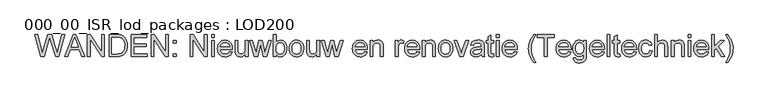
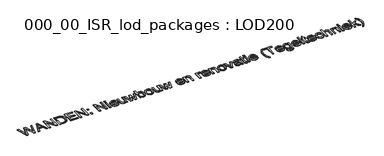
"""IFC4 building model written with IfcOpenShell, lengths in millimetres: proxy geometry, 000_00_ISR_lod_packages : LOD200."""

from ifc_helpers import new_model, si_unit, origin, origin_with_axes, place, context, project, spatial, polyline, outline, extrude, source, transform, mapped, element, save


def proxy_000_00_isr_lod_packages_lod200_e593f517(model_context):
    return source(origin(), model_context, "Body", "SweptSolid", [
        extrude(outline(polyline([(725.9109848, 500.0), (512.2424242, 1283.5151515), (613.2424242, 1283.5151515), (737.1969697, 768.5681818), (775.4545455, 609.6079545), (816.3901515, 750.2045455), (971.7159091, 1283.5151515), (1117.2859848, 1283.5151515), (1230.1458333, 896.9223485), (1278.4938447, 753.4564394), (1314.1212121, 609.6079545), (1351.2310606, 763.9772727), (1476.3333333, 1283.5151515), (1577.3333333, 1283.5151515), (1363.4734848, 500.0), (1258.8390152, 500.0), (1070.9943182, 1104.469697), (1044.7878788, 1188.8276515), (1015.3295455, 1087.2537879), (844.1268939, 500.0), (725.9109848, 500.0)])), origin_with_axes(), (0.0, 0.0, 1.0), 25.0),
        extrude(outline(polyline([(1584.0284091, 500.0), (1896.7840909, 1283.5151515), (1980.1856061, 1283.5151515), (2292.9412879, 500.0), (2189.4545455, 500.0), (2099.7405303, 744.8484848), (1777.0378788, 744.8484848), (1687.5151515, 500.0), (1584.0284091, 500.0)]), holes=[polyline([(1813.0, 842.7878788), (2063.969697, 842.7878788), (1993.3844697, 1035.4147727), (1938.4848485, 1185.5757576), (1889.7064394, 1052.2481061), (1813.0, 842.7878788)])]), origin_with_axes(), (0.0, 0.0, 1.0), 25.0),
        extrude(outline(polyline([(2397.5757576, 500.0), (2397.5757576, 1283.5151515), (2502.4015152, 1283.5151515), (2911.7575758, 662.7859848), (2911.7575758, 1283.5151515), (3009.6969697, 1283.5151515), (3009.6969697, 500.0), (2904.8712121, 500.0), (2495.5151515, 1120.9204545), (2495.5151515, 500.0), (2397.5757576, 500.0)])), origin_with_axes(), (0.0, 0.0, 1.0), 25.0),
        extrude(outline(polyline([(3181.0909091, 500.0), (3181.0909091, 1283.5151515), (3451.3806818, 1283.5151515), (3532.1519886, 1280.6936553), (3591.2121212, 1272.2291667), (3623.6593277, 1262.9158381), (3653.6676136, 1250.4701705), (3681.2369792, 1234.8921638), (3706.3674242, 1216.1818182), (3735.4073153, 1188.1581439), (3760.5497159, 1156.5), (3781.7946259, 1121.2073864), (3799.1420455, 1082.280303), (3812.6158854, 1040.0774148), (3822.2400568, 994.9573864), (3828.0145597, 946.9202178), (3829.9393939, 895.9659091), (3824.7267992, 811.8709754), (3809.0890152, 737.8664773), (3785.2736742, 674.8610322), (3755.5284091, 623.7632576), (3721.2878788, 583.4254261), (3683.9867424, 552.6998106), (3641.1621686, 529.912642), (3590.3513258, 513.3901515), (3531.4585701, 503.3475379), (3464.3882576, 500.0), (3181.0909091, 500.0)]), holes=[polyline([(3279.030303, 597.9393939), (3452.3371212, 597.9393939), (3524.0222538, 601.4782197), (3578.3958333, 612.094697), (3619.4270833, 629.1671402), (3651.0852273, 652.0738636), (3669.1559541, 671.7107599), (3685.1105587, 694.4680398), (3698.9490412, 720.3457031), (3710.6714015, 749.34375), (3720.0026634, 781.5219579), (3726.6678504, 816.9401042), (3732.0, 897.4962121), (3729.3877249, 954.3565341), (3721.5508996, 1004.2348485), (3708.4895241, 1047.1311553), (3690.2035985, 1083.0454545), (3668.1756037, 1112.7907197), (3643.8880208, 1137.1799242), (3617.3408499, 1156.2130682), (3588.5340909, 1169.8901515), (3563.6427557, 1176.7526042), (3532.1998106, 1181.6543561), (3449.6590909, 1185.5757576), (3279.030303, 1185.5757576), (3279.030303, 597.9393939)])]), origin_with_axes(), (0.0, 0.0, 1.0), 25.0),
        extrude(outline(polyline([(3964.6060606, 500.0), (3964.6060606, 1283.5151515), (4527.7575758, 1283.5151515), (4527.7575758, 1185.5757576), (4062.5454545, 1185.5757576), (4062.5454545, 952.969697), (4503.2727273, 952.969697), (4503.2727273, 855.030303), (4062.5454545, 855.030303), (4062.5454545, 597.9393939), (4540.0, 597.9393939), (4540.0, 500.0), (3964.6060606, 500.0)])), origin_with_axes(), (0.0, 0.0, 1.0), 25.0),
        extrude(outline(polyline([(4686.9090909, 500.0), (4686.9090909, 1283.5151515), (4791.7348485, 1283.5151515), (5201.0909091, 662.7859848), (5201.0909091, 1283.5151515), (5299.030303, 1283.5151515), (5299.030303, 500.0), (5194.2045455, 500.0), (4784.8484848, 1120.9204545), (4784.8484848, 500.0), (4686.9090909, 500.0)])), origin_with_axes(), (0.0, 0.0, 1.0), 25.0),
        extrude(outline(polyline([(5482.6666667, 500.0), (5482.6666667, 597.9393939), (5580.6060606, 597.9393939), (5580.6060606, 500.0), (5482.6666667, 500.0)])), origin_with_axes(), (0.0, 0.0, 1.0), 25.0),
        extrude(outline(polyline([(5482.6666667, 977.4545455), (5482.6666667, 1075.3939394), (5580.6060606, 1075.3939394), (5580.6060606, 977.4545455), (5482.6666667, 977.4545455)])), origin_with_axes(), (0.0, 0.0, 1.0), 25.0),
        extrude(outline(polyline([(6082.5454545, 500.0), (6082.5454545, 1283.5151515), (6187.3712121, 1283.5151515), (6596.7272727, 662.7859848), (6596.7272727, 1283.5151515), (6694.6666667, 1283.5151515), (6694.6666667, 500.0), (6589.8409091, 500.0), (6180.4848485, 1120.9204545), (6180.4848485, 500.0), (6082.5454545, 500.0)])), origin_with_axes(), (0.0, 0.0, 1.0), 25.0),
        extrude(outline(polyline([(6853.8181818, 500.0), (6853.8181818, 1075.3939394), (6951.7575758, 1075.3939394), (6951.7575758, 500.0), (6853.8181818, 500.0)])), origin_with_axes(), (0.0, 0.0, 1.0), 25.0),
        extrude(outline(polyline([(6853.8181818, 1185.5757576), (6853.8181818, 1283.5151515), (6951.7575758, 1283.5151515), (6951.7575758, 1185.5757576), (6853.8181818, 1185.5757576)])), origin_with_axes(), (0.0, 0.0, 1.0), 25.0),
        extrude(outline(polyline([(7501.5189394, 671.3939394), (7597.5454545, 659.1515152), (7582.8222656, 620.690696), (7562.9462595, 586.796875), (7537.9174361, 557.4700521), (7507.7357955, 532.7102273), (7472.7121804, 513.0434422), (7433.1574337, 498.9957386), (7389.0715554, 490.5671165), (7340.4545455, 487.7575758), (7279.6847775, 492.6055279), (7225.5383523, 507.1493845), (7178.0152699, 531.3891454), (7137.1155303, 565.3248106), (7104.2259706, 608.0118963), (7080.733428, 658.5059186), (7066.6379025, 716.8068774), (7061.9393939, 782.9147727), (7066.6857244, 851.2643229), (7080.9247159, 911.5080492), (7104.6563684, 963.6459517), (7137.8806818, 1007.6780303), (7178.672822, 1042.6598011), (7225.1079545, 1067.6467803), (7277.1860795, 1082.6389678), (7334.907197, 1087.6363636), (7390.7692353, 1082.6509233), (7441.2871686, 1067.6946023), (7486.4609967, 1042.7674006), (7526.2907197, 1007.8693182), (7558.8036813, 963.9328835), (7582.0272254, 911.890625), (7595.9613518, 851.7425426), (7600.6060606, 783.4886364), (7600.032197, 757.0909091), (7159.8787879, 757.0909091), (7165.551669, 718.0084044), (7176.8316761, 683.7798295), (7193.7188092, 654.4051847), (7216.2130682, 629.8844697), (7243.0710819, 610.5524384), (7273.0494792, 596.7438447), (7306.1482599, 588.4586884), (7342.3674242, 585.6969697), (7394.4933712, 590.8139205), (7438.3939394, 606.1647727), (7457.2597064, 617.9170218), (7474.0691288, 632.7059659), (7488.8222064, 650.5316051), (7501.5189394, 671.3939394)]), holes=[polyline([(7159.8787879, 855.030303), (7502.6666667, 855.030303), (7497.6334044, 882.7431345), (7489.4199811, 906.7736742), (7478.0263968, 927.1219223), (7463.4526515, 943.7878788), (7436.7440814, 963.8731061), (7406.3532197, 978.219697), (7372.2800663, 986.8276515), (7334.5246212, 989.6969697), (7300.0868253, 987.4074929), (7268.506392, 980.5390625), (7239.7833215, 969.0916785), (7213.9176136, 953.0653409), (7192.2124171, 933.2012902), (7175.9708807, 910.240767), (7165.1930043, 884.1837713), (7159.8787879, 855.030303)])]), origin_with_axes(), (0.0, 0.0, 1.0), 25.0),
        extrude(outline(polyline([(8065.8181818, 500.0), (8065.8181818, 598.8958333), (8048.8294271, 572.8478042), (8030.3821023, 550.2728456), (8010.4762074, 531.1709576), (7989.1117424, 515.5421402), (7966.2887074, 503.3863932), (7942.0071023, 494.7037169), (7916.2669271, 489.494111), (7889.0681818, 487.7575758), (7841.365767, 492.6354167), (7796.9630682, 507.2689394), (7759.7097538, 529.2670455), (7733.4554924, 556.2386364), (7715.7852746, 588.9966856), (7704.2840909, 628.3541667), (7699.9801136, 665.4640152), (7698.5454545, 719.407197), (7698.5454545, 1075.3939394), (7796.4848485, 1075.3939394), (7796.4848485, 765.5075758), (7797.9673295, 703.530303), (7802.4147727, 665.655303), (7816.6896307, 632.3473011), (7827.6468395, 618.688151), (7841.1505682, 607.0255682), (7874.1716383, 591.0291193), (7914.1268939, 585.6969697), (7956.3776042, 591.1486742), (7995.9024621, 607.5037879), (8013.5906132, 619.3935251), (8028.4931345, 633.2559186), (8040.610026, 649.0909683), (8049.9412879, 666.8986742), (8061.8489583, 712.975142), (8065.8181818, 776.0284091), (8065.8181818, 1075.3939394), (8163.7575758, 1075.3939394), (8163.7575758, 500.0), (8065.8181818, 500.0)])), origin_with_axes(), (0.0, 0.0, 1.0), 25.0),
        extrude(outline(polyline([(8393.8768939, 500.0), (8218.8484848, 1075.3939394), (8320.6136364, 1075.3939394), (8419.8920455, 739.6837121), (8449.5416667, 619.7462121), (8473.8352273, 735.2840909), (8552.8371212, 1075.3939394), (8669.5227273, 1075.3939394), (8748.1420455, 736.2405303), (8769.7575758, 631.6060606), (8800.7462121, 741.9791667), (8900.2159091, 1075.3939394), (9002.3636364, 1075.3939394), (8825.9962121, 500.0), (8707.5890152, 500.0), (8632.4128788, 837.4318182), (8610.6060606, 942.6401515), (8513.6231061, 500.0), (8393.8768939, 500.0)])), origin_with_axes(), (0.0, 0.0, 1.0), 25.0),
        extrude(outline(polyline([(9167.6363636, 500.0), (9069.6969697, 500.0), (9069.6969697, 1283.5151515), (9167.6363636, 1283.5151515), (9167.6363636, 992.9488636), (9199.8444602, 1034.3746449), (9236.2130682, 1063.9644886), (9276.7421875, 1081.7183949), (9321.4318182, 1087.6363636), (9371.8839962, 1082.304214), (9419.5625, 1066.3077652), (9461.7414773, 1040.6512784), (9495.6950758, 1006.3390152), (9522.3080019, 963.7057292), (9542.4649621, 913.0861742), (9555.1616951, 856.584517), (9559.3939394, 796.3049242), (9555.0122514, 726.7478693), (9541.8671875, 665.5596591), (9519.9587476, 612.7402936), (9489.2869318, 568.2897727), (9452.4699929, 533.0569366), (9412.1261837, 507.890625), (9368.2555043, 492.7908381), (9320.8579545, 487.7575758), (9297.1233132, 489.3805339), (9274.6977983, 494.2494081), (9253.5814098, 502.3641986), (9233.7741477, 513.7249053), (9215.2760121, 528.3315282), (9198.0870028, 546.1840672), (9167.6363636, 591.6268939), (9167.6363636, 500.0)]), holes=[polyline([(9167.6363636, 791.7140152), (9169.3101326, 747.5743371), (9174.3314394, 710.0340909), (9182.7002841, 679.0932765), (9194.4166667, 654.7518939), (9218.1483191, 624.5403646), (9245.7296402, 602.9607008), (9277.1606297, 590.0129025), (9312.4412879, 585.6969697), (9341.7322443, 588.8771307), (9368.9668561, 598.4176136), (9394.1451231, 614.3184186), (9417.2670455, 636.5795455), (9436.5990767, 665.1412169), (9450.4076705, 699.9436553), (9458.6928267, 740.9868608), (9461.4545455, 788.2708333), (9458.8064039, 836.4514678), (9450.8619792, 877.8892045), (9437.6212713, 912.5840436), (9419.0842803, 940.5359848), (9396.7932647, 962.0439157), (9372.290483, 977.4067235), (9345.5759351, 986.6244081), (9316.6496212, 989.6969697), (9287.3586648, 986.5168087), (9260.124053, 976.9763258), (9234.945786, 961.0755208), (9211.8238636, 938.8143939), (9192.4918324, 910.5396544), (9178.6832386, 876.5980114), (9170.3980824, 836.989465), (9167.6363636, 791.7140152)])]), origin_with_axes(), (0.0, 0.0, 1.0), 25.0),
        extrude(outline(polyline([(9645.0909091, 787.6969697), (9650.3871922, 862.215554), (9657.0075462, 895.6102332), (9666.2760417, 926.4285038), (9678.1926787, 954.6703658), (9692.7574574, 980.3358191), (9709.9703776, 1003.4248639), (9729.8314394, 1023.9375), (9767.1564867, 1051.8057528), (9808.3551136, 1071.7116477), (9853.4273201, 1083.6551847), (9902.3731061, 1087.6363636), (9956.4059541, 1082.7884115), (10005.2620739, 1068.2445549), (10048.9414654, 1044.004794), (10087.4441288, 1010.0691288), (10118.8691406, 967.5852865), (10141.3155777, 917.7009943), (10154.7834399, 860.4162524), (10159.2727273, 795.7310606), (10157.2881155, 743.3062263), (10151.3342803, 696.7874053), (10141.4112216, 656.1745975), (10127.5189394, 621.467803), (10109.8307884, 591.4894058), (10088.5201231, 565.0617898), (10063.5869437, 542.184955), (10035.03125, 522.8589015), (10003.9649029, 507.5020715), (9971.4997633, 496.5329072), (9937.635831, 489.9514086), (9902.3731061, 487.7575758), (9847.5511955, 492.5875947), (9798.240767, 507.0776515), (9754.4418205, 531.2277462), (9716.1543561, 565.0378788), (9685.064098, 607.9341856), (9662.8567708, 659.342803), (9649.5323745, 719.2637311), (9645.0909091, 787.6969697)]), holes=[polyline([(9743.030303, 787.8882576), (9745.8637547, 740.3831084), (9754.3641098, 699.2502367), (9768.5313684, 664.4896425), (9788.3655303, 636.1013258), (9812.491714, 614.04942), (9839.5350379, 598.2980587), (9869.4955019, 588.847242), (9902.3731061, 585.6969697), (9935.0833333, 588.8651752), (9964.9242424, 598.3697917), (9991.8958333, 614.2108191), (10015.9981061, 636.3882576), (10035.832268, 665.0575284), (10049.9995265, 700.374053), (10058.4998816, 742.3378314), (10061.3333333, 790.9488636), (10058.4819484, 836.9476207), (10049.9277936, 877.0044981), (10035.6708688, 911.1194957), (10015.7111742, 939.2926136), (9991.5192353, 961.3445194), (9964.5655777, 977.0958807), (9934.8502012, 986.5466974), (9902.3731061, 989.6969697), (9869.4955019, 986.5586529), (9839.5350379, 977.1437027), (9812.491714, 961.4521188), (9788.3655303, 939.4839015), (9768.5313684, 911.1792732), (9754.3641098, 876.4784564), (9745.8637547, 835.3814512), (9743.030303, 787.8882576)])]), origin_with_axes(), (0.0, 0.0, 1.0), 25.0),
        extrude(outline(polyline([(10636.7272727, 500.0), (10636.7272727, 598.8958333), (10619.738518, 572.8478042), (10601.2911932, 550.2728456), (10581.3852983, 531.1709576), (10560.0208333, 515.5421402), (10537.1977983, 503.3863932), (10512.9161932, 494.7037169), (10487.176018, 489.494111), (10459.9772727, 487.7575758), (10412.274858, 492.6354167), (10367.8721591, 507.2689394), (10330.6188447, 529.2670455), (10304.3645833, 556.2386364), (10286.6943655, 588.9966856), (10275.1931818, 628.3541667), (10270.8892045, 665.4640152), (10269.4545455, 719.407197), (10269.4545455, 1075.3939394), (10367.3939394, 1075.3939394), (10367.3939394, 765.5075758), (10368.8764205, 703.530303), (10373.3238636, 665.655303), (10387.5987216, 632.3473011), (10398.5559304, 618.688151), (10412.0596591, 607.0255682), (10445.0807292, 591.0291193), (10485.0359848, 585.6969697), (10527.2866951, 591.1486742), (10566.811553, 607.5037879), (10584.4997041, 619.3935251), (10599.4022254, 633.2559186), (10611.519117, 649.0909683), (10620.8503788, 666.8986742), (10632.7580492, 712.975142), (10636.7272727, 776.0284091), (10636.7272727, 1075.3939394), (10734.6666667, 1075.3939394), (10734.6666667, 500.0), (10636.7272727, 500.0)])), origin_with_axes(), (0.0, 0.0, 1.0), 25.0),
        extrude(outline(polyline([(10964.7859848, 500.0), (10789.7575758, 1075.3939394), (10891.5227273, 1075.3939394), (10990.8011364, 739.6837121), (11020.4507576, 619.7462121), (11044.7443182, 735.2840909), (11123.7462121, 1075.3939394), (11240.4318182, 1075.3939394), (11319.0511364, 736.2405303), (11340.6666667, 631.6060606), (11371.655303, 741.9791667), (11471.125, 1075.3939394), (11573.2727273, 1075.3939394), (11396.905303, 500.0), (11278.4981061, 500.0), (11203.3219697, 837.4318182), (11181.5151515, 942.6401515), (11084.532197, 500.0), (10964.7859848, 500.0)])), origin_with_axes(), (0.0, 0.0, 1.0), 25.0),
        extrude(outline(polyline([(12349.5189394, 671.3939394), (12445.5454545, 659.1515152), (12430.8222656, 620.690696), (12410.9462595, 586.796875), (12385.9174361, 557.4700521), (12355.7357955, 532.7102273), (12320.7121804, 513.0434422), (12281.1574337, 498.9957386), (12237.0715554, 490.5671165), (12188.4545455, 487.7575758), (12127.6847775, 492.6055279), (12073.5383523, 507.1493845), (12026.0152699, 531.3891454), (11985.1155303, 565.3248106), (11952.2259706, 608.0118963), (11928.733428, 658.5059186), (11914.6379025, 716.8068774), (11909.9393939, 782.9147727), (11914.6857244, 851.2643229), (11928.9247159, 911.5080492), (11952.6563684, 963.6459517), (11985.8806818, 1007.6780303), (12026.672822, 1042.6598011), (12073.1079545, 1067.6467803), (12125.1860795, 1082.6389678), (12182.907197, 1087.6363636), (12238.7692353, 1082.6509233), (12289.2871686, 1067.6946023), (12334.4609967, 1042.7674006), (12374.2907197, 1007.8693182), (12406.8036813, 963.9328835), (12430.0272254, 911.890625), (12443.9613518, 851.7425426), (12448.6060606, 783.4886364), (12448.032197, 757.0909091), (12007.8787879, 757.0909091), (12013.551669, 718.0084044), (12024.8316761, 683.7798295), (12041.7188092, 654.4051847), (12064.2130682, 629.8844697), (12091.0710819, 610.5524384), (12121.0494792, 596.7438447), (12154.1482599, 588.4586884), (12190.3674242, 585.6969697), (12242.4933712, 590.8139205), (12286.3939394, 606.1647727), (12305.2597064, 617.9170218), (12322.0691288, 632.7059659), (12336.8222064, 650.5316051), (12349.5189394, 671.3939394)]), holes=[polyline([(12007.8787879, 855.030303), (12350.6666667, 855.030303), (12345.6334044, 882.7431345), (12337.4199811, 906.7736742), (12326.0263968, 927.1219223), (12311.4526515, 943.7878788), (12284.7440814, 963.8731061), (12254.3532197, 978.219697), (12220.2800663, 986.8276515), (12182.5246212, 989.6969697), (12148.0868253, 987.4074929), (12116.506392, 980.5390625), (12087.7833215, 969.0916785), (12061.9176136, 953.0653409), (12040.2124171, 933.2012902), (12023.9708807, 910.240767), (12013.1930043, 884.1837713), (12007.8787879, 855.030303)])]), origin_with_axes(), (0.0, 0.0, 1.0), 25.0),
        extrude(outline(polyline([(12546.5454545, 500.0), (12546.5454545, 1075.3939394), (12644.4848485, 1075.3939394), (12644.4848485, 995.0530303), (12678.5101799, 1035.5582386), (12698.0872988, 1051.4709991), (12719.374053, 1064.4905303), (12742.3704427, 1074.6168324), (12767.0764678, 1081.8499053), (12821.6174242, 1087.6363636), (12869.8937027, 1082.9737216), (12914.1051136, 1068.9857955), (12950.9758523, 1047.4180871), (12977.2301136, 1020.0160985), (12995.0437973, 986.8515625), (13006.592803, 947.9962121), (13010.4663826, 910.8385417), (13011.7575758, 853.3087121), (13011.7575758, 500.0), (12913.8181818, 500.0), (12913.8181818, 840.1098485), (12910.9966856, 890.7533144), (12902.532197, 926.7632576), (12886.9183239, 952.5632102), (12862.6486742, 972.5767045), (12831.540483, 985.4169034), (12795.4109848, 989.6969697), (12765.6716974, 987.2939157), (12738.0485322, 980.0847538), (12712.5414891, 968.0694839), (12689.1505682, 951.2481061), (12669.6093158, 927.7077415), (12655.6512784, 895.5355114), (12647.276456, 854.7314157), (12644.4848485, 805.2954545), (12644.4848485, 500.0), (12546.5454545, 500.0)])), origin_with_axes(), (0.0, 0.0, 1.0), 25.0),
        extrude(outline(polyline([(13452.4848485, 500.0), (13452.4848485, 1075.3939394), (13538.1818182, 1075.3939394), (13538.1818182, 990.2708333), (13569.8399621, 1039.6231061), (13599.0113636, 1068.6988636), (13628.2784091, 1082.9019886), (13660.2234848, 1087.6363636), (13684.5170455, 1085.7473958), (13709.0018939, 1080.0804924), (13733.6780303, 1070.6356534), (13758.5454545, 1057.4128788), (13725.8352273, 969.6117424), (13691.4034091, 984.6756629), (13656.9715909, 989.6969697), (13627.7284564, 984.8669508), (13601.59375, 970.3768939), (13580.4803504, 947.3267045), (13566.3011364, 916.8162879), (13554.3934659, 862.1079545), (13550.4242424, 802.4261364), (13550.4242424, 500.0), (13452.4848485, 500.0)])), origin_with_axes(), (0.0, 0.0, 1.0), 25.0),
        extrude(outline(polyline([(14222.6098485, 671.3939394), (14318.6363636, 659.1515152), (14303.9131747, 620.690696), (14284.0371686, 586.796875), (14259.0083452, 557.4700521), (14228.8267045, 532.7102273), (14193.8030895, 513.0434422), (14154.2483428, 498.9957386), (14110.1624645, 490.5671165), (14061.5454545, 487.7575758), (14000.7756866, 492.6055279), (13946.6292614, 507.1493845), (13899.106179, 531.3891454), (13858.2064394, 565.3248106), (13825.3168797, 608.0118963), (13801.8243371, 658.5059186), (13787.7288116, 716.8068774), (13783.030303, 782.9147727), (13787.7766335, 851.2643229), (13802.015625, 911.5080492), (13825.7472775, 963.6459517), (13858.9715909, 1007.6780303), (13899.7637311, 1042.6598011), (13946.1988636, 1067.6467803), (13998.2769886, 1082.6389678), (14055.9981061, 1087.6363636), (14111.8601444, 1082.6509233), (14162.3780777, 1067.6946023), (14207.5519058, 1042.7674006), (14247.3816288, 1007.8693182), (14279.8945904, 963.9328835), (14303.1181345, 911.890625), (14317.0522609, 851.7425426), (14321.6969697, 783.4886364), (14321.1231061, 757.0909091), (13880.969697, 757.0909091), (13886.6425781, 718.0084044), (13897.9225852, 683.7798295), (13914.8097183, 654.4051847), (13937.3039773, 629.8844697), (13964.161991, 610.5524384), (13994.1403883, 596.7438447), (14027.239169, 588.4586884), (14063.4583333, 585.6969697), (14115.5842803, 590.8139205), (14159.4848485, 606.1647727), (14178.3506155, 617.9170218), (14195.1600379, 632.7059659), (14209.9131155, 650.5316051), (14222.6098485, 671.3939394)]), holes=[polyline([(13880.969697, 855.030303), (14223.7575758, 855.030303), (14218.7243134, 882.7431345), (14210.5108902, 906.7736742), (14199.1173059, 927.1219223), (14184.5435606, 943.7878788), (14157.8349905, 963.8731061), (14127.4441288, 978.219697), (14093.3709754, 986.8276515), (14055.6155303, 989.6969697), (14021.1777344, 987.4074929), (13989.5973011, 980.5390625), (13960.8742306, 969.0916785), (13935.0085227, 953.0653409), (13913.3033262, 933.2012902), (13897.0617898, 910.240767), (13886.2839134, 884.1837713), (13880.969697, 855.030303)])]), origin_with_axes(), (0.0, 0.0, 1.0), 25.0),
        extrude(outline(polyline([(14419.6363636, 500.0), (14419.6363636, 1075.3939394), (14517.5757576, 1075.3939394), (14517.5757576, 995.0530303), (14551.601089, 1035.5582386), (14571.1782079, 1051.4709991), (14592.4649621, 1064.4905303), (14615.4613518, 1074.6168324), (14640.1673769, 1081.8499053), (14694.7083333, 1087.6363636), (14742.9846117, 1082.9737216), (14787.1960227, 1068.9857955), (14824.0667614, 1047.4180871), (14850.3210227, 1020.0160985), (14868.1347064, 986.8515625), (14879.6837121, 947.9962121), (14883.5572917, 910.8385417), (14884.8484848, 853.3087121), (14884.8484848, 500.0), (14786.9090909, 500.0), (14786.9090909, 840.1098485), (14784.0875947, 890.7533144), (14775.6231061, 926.7632576), (14760.009233, 952.5632102), (14735.7395833, 972.5767045), (14704.631392, 985.4169034), (14668.5018939, 989.6969697), (14638.7626065, 987.2939157), (14611.1394413, 980.0847538), (14585.6323982, 968.0694839), (14562.2414773, 951.2481061), (14542.7002249, 927.7077415), (14528.7421875, 895.5355114), (14520.3673651, 854.7314157), (14517.5757576, 805.2954545), (14517.5757576, 500.0), (14419.6363636, 500.0)])), origin_with_axes(), (0.0, 0.0, 1.0), 25.0),
        extrude(outline(polyline([(14995.030303, 787.6969697), (15000.3265862, 862.215554), (15006.9469401, 895.6102332), (15016.2154356, 926.4285038), (15028.1320727, 954.6703658), (15042.6968513, 980.3358191), (15059.9097715, 1003.4248639), (15079.7708333, 1023.9375), (15117.0958807, 1051.8057528), (15158.2945076, 1071.7116477), (15203.366714, 1083.6551847), (15252.3125, 1087.6363636), (15306.345348, 1082.7884115), (15355.2014678, 1068.2445549), (15398.8808594, 1044.004794), (15437.3835227, 1010.0691288), (15468.8085346, 967.5852865), (15491.2549716, 917.7009943), (15504.7228338, 860.4162524), (15509.2121212, 795.7310606), (15507.2275095, 743.3062263), (15501.2736742, 696.7874053), (15491.3506155, 656.1745975), (15477.4583333, 621.467803), (15459.7701823, 591.4894058), (15438.459517, 565.0617898), (15413.5263376, 542.184955), (15384.9706439, 522.8589015), (15353.9042969, 507.5020715), (15321.4391572, 496.5329072), (15287.5752249, 489.9514086), (15252.3125, 487.7575758), (15197.4905895, 492.5875947), (15148.180161, 507.0776515), (15104.3812145, 531.2277462), (15066.09375, 565.0378788), (15035.003492, 607.9341856), (15012.7961648, 659.342803), (14999.4717685, 719.2637311), (14995.030303, 787.6969697)]), holes=[polyline([(15092.969697, 787.8882576), (15095.8031487, 740.3831084), (15104.3035038, 699.2502367), (15118.4707623, 664.4896425), (15138.3049242, 636.1013258), (15162.431108, 614.04942), (15189.4744318, 598.2980587), (15219.4348958, 588.847242), (15252.3125, 585.6969697), (15285.0227273, 588.8651752), (15314.8636364, 598.3697917), (15341.8352273, 614.2108191), (15365.9375, 636.3882576), (15385.7716619, 665.0575284), (15399.9389205, 700.374053), (15408.4392756, 742.3378314), (15411.2727273, 790.9488636), (15408.4213423, 836.9476207), (15399.8671875, 877.0044981), (15385.6102628, 911.1194957), (15365.6505682, 939.2926136), (15341.4586293, 961.3445194), (15314.5049716, 977.0958807), (15284.7895952, 986.5466974), (15252.3125, 989.6969697), (15219.4348958, 986.5586529), (15189.4744318, 977.1437027), (15162.431108, 961.4521188), (15138.3049242, 939.4839015), (15118.4707623, 911.1792732), (15104.3035038, 876.4784564), (15095.8031487, 835.3814512), (15092.969697, 787.8882576)])]), origin_with_axes(), (0.0, 0.0, 1.0), 25.0),
        extrude(outline(polyline([(15760.5643939, 500.0), (15558.1818182, 1075.3939394), (15661.8598485, 1075.3939394), (15784.4753788, 730.6931818), (15821.3939394, 614.7727273), (15857.5473485, 724.1893939), (15980.9280303, 1075.3939394), (16084.6060606, 1075.3939394), (15884.7102273, 500.0), (15760.5643939, 500.0)])), origin_with_axes(), (0.0, 0.0, 1.0), 25.0),
        extrude(outline(polyline([(16537.5757576, 573.4545455), (16490.7819602, 533.3319129), (16466.8649976, 518.4712358), (16442.6013258, 507.0776515), (16391.9339489, 492.5875947), (16337.6799242, 487.7575758), (16294.0722656, 490.6627604), (16255.8326231, 499.3783144), (16222.9609967, 513.9042377), (16195.4573864, 534.2405303), (16173.7402344, 559.0959991), (16158.227983, 587.1794508), (16148.9206321, 618.4908854), (16145.8181818, 653.030303), (16150.5047348, 693.6311553), (16164.5643939, 730.5018939), (16186.2516572, 762.0643939), (16213.8210227, 786.7405303), (16246.2204072, 805.3910985), (16282.3977273, 818.8768939), (16367.1382576, 833.6060606), (16467.2774621, 849.1003788), (16537.0018939, 867.2727273), (16537.5757576, 889.0795455), (16535.8900331, 912.8231534), (16530.8328598, 932.7888258), (16522.4042377, 948.9765625), (16510.6041667, 961.3863636), (16490.2080966, 973.7722538), (16465.3645833, 982.6193182), (16436.0736269, 987.9275568), (16402.3352273, 989.6969697), (16343.9924242, 984.9865057), (16321.4204545, 979.0984257), (16303.2481061, 970.8551136), (16288.315696, 959.610973), (16275.4635417, 944.7204072), (16264.691643, 926.1834162), (16256.0, 904.0), (16158.0606061, 916.2424242), (16175.0613163, 969.8030303), (16186.6999882, 992.2793561), (16200.4308712, 1011.8863636), (16216.8457623, 1029.0185843), (16236.5364583, 1044.0705492), (16259.5029593, 1057.0422585), (16285.7452652, 1067.9337121), (16345.929214, 1082.7107008), (16414.9602273, 1087.6363636), (16481.1697443, 1083.2845644), (16533.6543561, 1070.2291667), (16573.227036, 1050.5982481), (16600.7007576, 1026.5198864), (16618.920928, 996.7507102), (16630.7329545, 960.0473485), (16634.3196023, 926.1893939), (16635.5151515, 874.3503788), (16635.5151515, 752.5), (16636.7585227, 646.3591383), (16640.4886364, 582.3494318), (16647.8532197, 540.2900095), (16660.0, 500.0), (16562.0606061, 500.0), (16546.375, 534.0492424), (16537.5757576, 573.4545455)]), holes=[polyline([(16537.5757576, 769.3333333), (16471.7727273, 753.0260417), (16379.5719697, 739.3011364), (16328.7611269, 731.7930871), (16295.3096591, 723.4242424), (16273.383286, 712.5686553), (16257.1477273, 697.6003788), (16247.1051136, 679.6671402), (16243.7575758, 659.9166667), (16245.5807884, 644.6973248), (16251.0504261, 630.7930871), (16260.1664891, 618.2039536), (16272.9289773, 606.9299242), (16289.2183357, 597.6405066), (16308.9150095, 591.0052083), (16358.530303, 585.6969697), (16411.1344697, 591.555161), (16435.1410985, 598.8779001), (16457.6174242, 609.1297348), (16495.3011364, 635.0253314), (16521.5075758, 665.8465909), (16533.1283144, 697.6003788), (16537.0018939, 741.5965909), (16537.5757576, 769.3333333)])]), origin_with_axes(), (0.0, 0.0, 1.0), 25.0),
        extrude(outline(polyline([(16978.3030303, 581.6799242), (16990.5454545, 497.1306818), (16951.7618371, 490.1008523), (16917.282197, 487.7575758), (16870.2732008, 491.8224432), (16835.219697, 504.0170455), (16810.4479167, 522.8110795), (16794.2840909, 546.6742424), (16785.3892045, 587.6576705), (16782.4242424, 657.8125), (16782.4242424, 977.4545455), (16708.969697, 977.4545455), (16708.969697, 1075.3939394), (16782.4242424, 1075.3939394), (16782.4242424, 1215.2253788), (16880.3636364, 1272.8030303), (16880.3636364, 1075.3939394), (16978.3030303, 1075.3939394), (16978.3030303, 977.4545455), (16880.3636364, 977.4545455), (16880.3636364, 660.6818182), (16881.6548295, 628.4498106), (16885.5284091, 610.1818182), (16892.2952178, 600.0674716), (16902.2660985, 592.2964015), (16916.3974905, 587.3468277), (16935.6458333, 585.6969697), (16978.3030303, 581.6799242)])), origin_with_axes(), (0.0, 0.0, 1.0), 25.0),
        extrude(outline(polyline([(17076.2424242, 500.0), (17076.2424242, 1075.3939394), (17174.1818182, 1075.3939394), (17174.1818182, 500.0), (17076.2424242, 500.0)])), origin_with_axes(), (0.0, 0.0, 1.0), 25.0),
        extrude(outline(polyline([(17076.2424242, 1185.5757576), (17076.2424242, 1283.5151515), (17174.1818182, 1283.5151515), (17174.1818182, 1185.5757576), (17076.2424242, 1185.5757576)])), origin_with_axes(), (0.0, 0.0, 1.0), 25.0),
        extrude(outline(polyline([(17723.9431818, 671.3939394), (17819.969697, 659.1515152), (17805.246508, 620.690696), (17785.3705019, 586.796875), (17760.3416785, 557.4700521), (17730.1600379, 532.7102273), (17695.1364228, 513.0434422), (17655.5816761, 498.9957386), (17611.4957978, 490.5671165), (17562.8787879, 487.7575758), (17502.1090199, 492.6055279), (17447.9625947, 507.1493845), (17400.4395123, 531.3891454), (17359.5397727, 565.3248106), (17326.6502131, 608.0118963), (17303.1576705, 658.5059186), (17289.0621449, 716.8068774), (17284.3636364, 782.9147727), (17289.1099669, 851.2643229), (17303.3489583, 911.5080492), (17327.0806108, 963.6459517), (17360.3049242, 1007.6780303), (17401.0970644, 1042.6598011), (17447.532197, 1067.6467803), (17499.610322, 1082.6389678), (17557.3314394, 1087.6363636), (17613.1934777, 1082.6509233), (17663.711411, 1067.6946023), (17708.8852391, 1042.7674006), (17748.7149621, 1007.8693182), (17781.2279238, 963.9328835), (17804.4514678, 911.890625), (17818.3855942, 851.7425426), (17823.030303, 783.4886364), (17822.4564394, 757.0909091), (17382.3030303, 757.0909091), (17387.9759115, 718.0084044), (17399.2559186, 683.7798295), (17416.1430516, 654.4051847), (17438.6373106, 629.8844697), (17465.4953243, 610.5524384), (17495.4737216, 596.7438447), (17528.5725024, 588.4586884), (17564.7916667, 585.6969697), (17616.9176136, 590.8139205), (17660.8181818, 606.1647727), (17679.6839489, 617.9170218), (17696.4933712, 632.7059659), (17711.2464489, 650.5316051), (17723.9431818, 671.3939394)]), holes=[polyline([(17382.3030303, 855.030303), (17725.0909091, 855.030303), (17720.0576468, 882.7431345), (17711.8442235, 906.7736742), (17700.4506392, 927.1219223), (17685.8768939, 943.7878788), (17659.1683239, 963.8731061), (17628.7774621, 978.219697), (17594.7043087, 986.8276515), (17556.9488636, 989.6969697), (17522.5110677, 987.4074929), (17490.9306345, 980.5390625), (17462.2075639, 969.0916785), (17436.3418561, 953.0653409), (17414.6366596, 933.2012902), (17398.3951231, 910.240767), (17387.6172467, 884.1837713), (17382.3030303, 855.030303)])]), origin_with_axes(), (0.0, 0.0, 1.0), 25.0),
        extrude(outline(polyline([(18422.9090909, 279.6363636), (18383.3722775, 330.7939157), (18347.015625, 386.1358902), (18313.8391335, 445.6622869), (18283.842803, 509.3731061), (18258.9873343, 575.773911), (18241.233428, 643.3702652), (18230.5810843, 712.1621686), (18227.030303, 782.1496212), (18229.6844223, 843.6606297), (18237.6467803, 903.8565341), (18250.9173769, 962.7373343), (18269.4962121, 1020.3030303), (18297.7350852, 1086.3212595), (18332.7168561, 1152.1960227), (18374.4415246, 1217.9273201), (18422.9090909, 1283.5151515), (18496.3636364, 1283.5151515), (18438.7381629, 1190.4057765), (18404.7367424, 1128.3806818), (18373.4611742, 1054.7348485), (18349.6458333, 978.0284091), (18331.1387311, 880.0411932), (18324.969697, 781.5757576), (18327.6477273, 718.7914891), (18335.6818182, 656.0191761), (18349.0719697, 593.2588187), (18367.8181818, 530.5104167), (18391.9204545, 467.7739702), (18421.3787879, 405.0494792), (18456.1931818, 342.3369437), (18496.3636364, 279.6363636), (18422.9090909, 279.6363636)])), origin_with_axes(), (0.0, 0.0, 1.0), 25.0),
        extrude(outline(polyline([(18802.4242424, 500.0), (18802.4242424, 1185.5757576), (18545.3333333, 1185.5757576), (18545.3333333, 1283.5151515), (19157.4545455, 1283.5151515), (19157.4545455, 1185.5757576), (18900.3636364, 1185.5757576), (18900.3636364, 500.0), (18802.4242424, 500.0)])), origin_with_axes(), (0.0, 0.0, 1.0), 25.0),
        extrude(outline(polyline([(19658.2462121, 671.3939394), (19754.2727273, 659.1515152), (19739.5495384, 620.690696), (19719.6735322, 586.796875), (19694.6447088, 557.4700521), (19664.4630682, 532.7102273), (19629.4394531, 513.0434422), (19589.8847064, 498.9957386), (19545.7988281, 490.5671165), (19497.1818182, 487.7575758), (19436.4120502, 492.6055279), (19382.265625, 507.1493845), (19334.7425426, 531.3891454), (19293.842803, 565.3248106), (19260.9532434, 608.0118963), (19237.4607008, 658.5059186), (19223.3651752, 716.8068774), (19218.6666667, 782.9147727), (19223.4129972, 851.2643229), (19237.6519886, 911.5080492), (19261.3836411, 963.6459517), (19294.6079545, 1007.6780303), (19335.4000947, 1042.6598011), (19381.8352273, 1067.6467803), (19433.9133523, 1082.6389678), (19491.6344697, 1087.6363636), (19547.496508, 1082.6509233), (19598.0144413, 1067.6946023), (19643.1882694, 1042.7674006), (19683.0179924, 1007.8693182), (19715.5309541, 963.9328835), (19738.7544981, 911.890625), (19752.6886245, 851.7425426), (19757.3333333, 783.4886364), (19756.7594697, 757.0909091), (19316.6060606, 757.0909091), (19322.2789418, 718.0084044), (19333.5589489, 683.7798295), (19350.4460819, 654.4051847), (19372.9403409, 629.8844697), (19399.7983546, 610.5524384), (19429.7767519, 596.7438447), (19462.8755327, 588.4586884), (19499.094697, 585.6969697), (19551.2206439, 590.8139205), (19595.1212121, 606.1647727), (19613.9869792, 617.9170218), (19630.7964015, 632.7059659), (19645.5494792, 650.5316051), (19658.2462121, 671.3939394)]), holes=[polyline([(19316.6060606, 855.030303), (19659.3939394, 855.030303), (19654.3606771, 882.7431345), (19646.1472538, 906.7736742), (19634.7536695, 927.1219223), (19620.1799242, 943.7878788), (19593.4713542, 963.8731061), (19563.0804924, 978.219697), (19529.007339, 986.8276515), (19491.2518939, 989.6969697), (19456.814098, 987.4074929), (19425.2336648, 980.5390625), (19396.5105942, 969.0916785), (19370.6448864, 953.0653409), (19348.9396899, 933.2012902), (19332.6981534, 910.240767), (19321.920277, 884.1837713), (19316.6060606, 855.030303)])]), origin_with_axes(), (0.0, 0.0, 1.0), 25.0),
        extrude(outline(polyline([(19830.7878788, 451.030303), (19928.7272727, 438.7878788), (19932.8638731, 422.2892992), (19939.5350379, 408.1818182), (19948.740767, 396.4654356), (19960.4810606, 387.1401515), (19979.4783381, 377.5996686), (20001.6557765, 370.7850379), (20055.5511364, 365.3333333), (20086.133286, 366.8755919), (20113.0331439, 371.5023674), (20136.2507102, 379.21366), (20155.7859848, 390.0094697), (20172.0454545, 403.5909091), (20185.4356061, 419.6590909), (20195.9564394, 438.2140152), (20203.6079545, 459.2556818), (20208.9161932, 501.3868371), (20210.3030303, 573.4545455), (20177.712358, 541.3181818), (20141.34375, 518.3636364), (20101.1972064, 504.5909091), (20057.2727273, 500.0), (20003.574633, 505.3441051), (19956.2966383, 521.3764205), (19915.4387429, 548.096946), (19881.000947, 585.5056818), (19853.676669, 630.3866004), (19834.1593277, 679.5236742), (19822.4489228, 732.9169034), (19818.5454545, 790.5662879), (19820.2969342, 830.8981416), (19825.5513731, 869.6399148), (19834.3087713, 906.7916075), (19846.5691288, 942.3532197), (19862.1471354, 975.1411577), (19880.8574811, 1003.9718277), (19902.7001657, 1028.8452296), (19927.6751894, 1049.7613636), (19955.3820431, 1066.3316761), (19985.4202178, 1078.1676136), (20017.7897135, 1085.2691761), (20052.4905303, 1087.6363636), (20098.2920218, 1082.280303), (20139.8612689, 1066.2121212), (20177.1982718, 1039.4318182), (20210.3030303, 1001.9393939), (20210.3030303, 1075.3939394), (20308.2424242, 1075.3939394), (20308.2424242, 578.6193182), (20306.5686553, 516.3730469), (20301.5473485, 463.9183239), (20293.1785038, 421.2551491), (20281.4621212, 388.3835227), (20266.1172467, 361.8722183), (20246.8629261, 338.2900095), (20223.6991596, 317.6368963), (20196.625947, 299.9128788), (20165.9182647, 285.6858428), (20131.851089, 275.5236742), (20094.42442, 269.4263731), (20053.6382576, 267.3939394), (20005.6548887, 270.2572798), (19962.5134943, 278.8473011), (19924.2140743, 293.1640033), (19890.7566288, 313.2073864), (19863.7312382, 339.0013613), (19844.727983, 370.569839), (19833.7468632, 407.9128196), (19830.7878788, 451.030303)]), holes=[polyline([(19916.4848485, 797.2613636), (19919.0971236, 748.8356416), (19926.9339489, 707.4277936), (19939.9953243, 673.0378196), (19958.28125, 645.6657197), (19980.5124882, 624.7854522), (20005.4098011, 609.8709754), (20032.9731889, 600.9222893), (20063.2026515, 597.9393939), (20093.1332268, 600.9043561), (20120.5651042, 609.7992424), (20145.4982836, 624.624053), (20167.9327652, 645.3787879), (20186.4697562, 672.4818892), (20199.710464, 706.3517992), (20207.6548887, 746.988518), (20210.3030303, 794.3920455), (20207.577178, 839.8169389), (20199.3996212, 879.2999527), (20185.7703598, 912.8410866), (20166.6893939, 940.4403409), (20143.770715, 961.990116), (20118.6283144, 977.3828125), (20091.2621922, 986.6184304), (20061.6723485, 989.6969697), (20032.5786577, 986.6662524), (20005.7445549, 977.5741004), (19981.1700402, 962.4205137), (19958.8551136, 941.2054924), (19940.3181226, 914.0246804), (19927.0774148, 880.9737216), (19919.1329901, 842.052616), (19916.4848485, 797.2613636)])]), origin_with_axes(), (0.0, 0.0, 1.0), 25.0),
        extrude(outline(polyline([(20858.0037879, 671.3939394), (20954.030303, 659.1515152), (20939.3071141, 620.690696), (20919.431108, 586.796875), (20894.4022846, 557.4700521), (20864.2206439, 532.7102273), (20829.1970289, 513.0434422), (20789.6422822, 498.9957386), (20745.5564039, 490.5671165), (20696.9393939, 487.7575758), (20636.1696259, 492.6055279), (20582.0232008, 507.1493845), (20534.5001184, 531.3891454), (20493.6003788, 565.3248106), (20460.7108191, 608.0118963), (20437.2182765, 658.5059186), (20423.1227509, 716.8068774), (20418.4242424, 782.9147727), (20423.1705729, 851.2643229), (20437.4095644, 911.5080492), (20461.1412169, 963.6459517), (20494.3655303, 1007.6780303), (20535.1576705, 1042.6598011), (20581.592803, 1067.6467803), (20633.670928, 1082.6389678), (20691.3920455, 1087.6363636), (20747.2540838, 1082.6509233), (20797.772017, 1067.6946023), (20842.9458452, 1042.7674006), (20882.7755682, 1007.8693182), (20915.2885298, 963.9328835), (20938.5120739, 911.890625), (20952.4462003, 851.7425426), (20957.0909091, 783.4886364), (20956.5170455, 757.0909091), (20516.3636364, 757.0909091), (20522.0365175, 718.0084044), (20533.3165246, 683.7798295), (20550.2036577, 654.4051847), (20572.6979167, 629.8844697), (20599.5559304, 610.5524384), (20629.5343277, 596.7438447), (20662.6331084, 588.4586884), (20698.8522727, 585.6969697), (20750.9782197, 590.8139205), (20794.8787879, 606.1647727), (20813.7445549, 617.9170218), (20830.5539773, 632.7059659), (20845.3070549, 650.5316051), (20858.0037879, 671.3939394)]), holes=[polyline([(20516.3636364, 855.030303), (20859.1515152, 855.030303), (20854.1182528, 882.7431345), (20845.9048295, 906.7736742), (20834.5112453, 927.1219223), (20819.9375, 943.7878788), (20793.2289299, 963.8731061), (20762.8380682, 978.219697), (20728.7649148, 986.8276515), (20691.0094697, 989.6969697), (20656.5716738, 987.4074929), (20624.9912405, 980.5390625), (20596.26817, 969.0916785), (20570.4024621, 953.0653409), (20548.6972656, 933.2012902), (20532.4557292, 910.240767), (20521.6778527, 884.1837713), (20516.3636364, 855.030303)])]), origin_with_axes(), (0.0, 0.0, 1.0), 25.0),
        extrude(outline(polyline([(21055.030303, 500.0), (21055.030303, 1283.5151515), (21152.969697, 1283.5151515), (21152.969697, 500.0), (21055.030303, 500.0)])), origin_with_axes(), (0.0, 0.0, 1.0), 25.0),
        extrude(outline(polyline([(21508.0, 581.6799242), (21520.2424242, 497.1306818), (21481.4588068, 490.1008523), (21446.9791667, 487.7575758), (21399.9701705, 491.8224432), (21364.9166667, 504.0170455), (21340.1448864, 522.8110795), (21323.9810606, 546.6742424), (21315.0861742, 587.6576705), (21312.1212121, 657.8125), (21312.1212121, 977.4545455), (21238.6666667, 977.4545455), (21238.6666667, 1075.3939394), (21312.1212121, 1075.3939394), (21312.1212121, 1215.2253788), (21410.0606061, 1272.8030303), (21410.0606061, 1075.3939394), (21508.0, 1075.3939394), (21508.0, 977.4545455), (21410.0606061, 977.4545455), (21410.0606061, 660.6818182), (21411.3517992, 628.4498106), (21415.2253788, 610.1818182), (21421.9921875, 600.0674716), (21431.9630682, 592.2964015), (21446.0944602, 587.3468277), (21465.342803, 585.6969697), (21508.0, 581.6799242)])), origin_with_axes(), (0.0, 0.0, 1.0), 25.0),
        extrude(outline(polyline([(22008.7916667, 671.3939394), (22104.8181818, 659.1515152), (22090.0949929, 620.690696), (22070.2189867, 586.796875), (22045.1901634, 557.4700521), (22015.0085227, 532.7102273), (21979.9849077, 513.0434422), (21940.430161, 498.9957386), (21896.3442827, 490.5671165), (21847.7272727, 487.7575758), (21786.9575047, 492.6055279), (21732.8110795, 507.1493845), (21685.2879972, 531.3891454), (21644.3882576, 565.3248106), (21611.4986979, 608.0118963), (21588.0061553, 658.5059186), (21573.9106297, 716.8068774), (21569.2121212, 782.9147727), (21573.9584517, 851.2643229), (21588.1974432, 911.5080492), (21611.9290956, 963.6459517), (21645.1534091, 1007.6780303), (21685.9455492, 1042.6598011), (21732.3806818, 1067.6467803), (21784.4588068, 1082.6389678), (21842.1799242, 1087.6363636), (21898.0419626, 1082.6509233), (21948.5598958, 1067.6946023), (21993.733724, 1042.7674006), (22033.563447, 1007.8693182), (22066.0764086, 963.9328835), (22089.2999527, 911.890625), (22103.2340791, 851.7425426), (22107.8787879, 783.4886364), (22107.3049242, 757.0909091), (21667.1515152, 757.0909091), (21672.8243963, 718.0084044), (21684.1044034, 683.7798295), (21700.9915365, 654.4051847), (21723.4857955, 629.8844697), (21750.3438092, 610.5524384), (21780.3222064, 596.7438447), (21813.4209872, 588.4586884), (21849.6401515, 585.6969697), (21901.7660985, 590.8139205), (21945.6666667, 606.1647727), (21964.5324337, 617.9170218), (21981.3418561, 632.7059659), (21996.0949337, 650.5316051), (22008.7916667, 671.3939394)]), holes=[polyline([(21667.1515152, 855.030303), (22009.9393939, 855.030303), (22004.9061316, 882.7431345), (21996.6927083, 906.7736742), (21985.2991241, 927.1219223), (21970.7253788, 943.7878788), (21944.0168087, 963.8731061), (21913.625947, 978.219697), (21879.5527936, 986.8276515), (21841.7973485, 989.6969697), (21807.3595526, 987.4074929), (21775.7791193, 980.5390625), (21747.0560488, 969.0916785), (21721.1903409, 953.0653409), (21699.4851444, 933.2012902), (21683.243608, 910.240767), (21672.4657315, 884.1837713), (21667.1515152, 855.030303)])]), origin_with_axes(), (0.0, 0.0, 1.0), 25.0),
        extrude(outline(polyline([(22573.0909091, 708.1212121), (22671.030303, 695.8787879), (22660.3779593, 649.6648319), (22643.7239583, 608.7710701), (22621.0683002, 573.1975024), (22592.4109848, 542.9441288), (22558.959517, 518.8000118), (22521.9214015, 501.554214), (22481.2966383, 491.2067353), (22437.0852273, 487.7575758), (22382.1557173, 492.5696615), (22332.9050663, 507.0059186), (22289.3332741, 531.0663471), (22251.4403409, 564.750947), (22220.7685251, 607.4260772), (22198.8600852, 658.4580966), (22185.7150213, 717.8470052), (22181.3333333, 785.592803), (22183.2043679, 830.6231652), (22188.8174716, 872.7483428), (22198.1726444, 911.9683357), (22211.2698864, 948.2831439), (22228.1988636, 980.9634825), (22249.0492424, 1009.2800663), (22273.8210227, 1033.2328954), (22302.5142045, 1052.8219697), (22333.831617, 1068.053267), (22366.476089, 1078.9327652), (22400.4476207, 1085.460464), (22435.7462121, 1087.6363636), (22479.1984493, 1084.6474905), (22518.5021307, 1075.6808712), (22553.6572562, 1060.7365057), (22584.6638258, 1039.8143939), (22610.9957978, 1013.3927557), (22632.1271307, 981.9498106), (22648.0578243, 945.4855587), (22658.7878788, 904.0), (22560.8484848, 891.7575758), (22553.2029474, 914.6344105), (22543.0826231, 934.4865057), (22530.4875118, 951.3138613), (22515.4176136, 965.1164773), (22498.2555043, 975.8704427), (22479.3837595, 983.5518466), (22458.8023793, 988.1606889), (22436.5113636, 989.6969697), (22403.2332505, 986.6722301), (22373.2189867, 977.5980114), (22346.4685724, 962.4743134), (22322.9820076, 941.3011364), (22303.8591974, 913.5883049), (22290.2000473, 878.8456439), (22282.0045573, 837.0731534), (22279.2727273, 788.2708333), (22281.9447798, 738.7332505), (22289.9609375, 696.4765625), (22303.3212003, 661.5007694), (22322.0255682, 633.8058712), (22345.0458688, 612.7582268), (22371.3539299, 597.7241951), (22400.9497514, 588.703776), (22433.8333333, 585.6969697), (22460.3326823, 587.573982), (22484.5485322, 593.2050189), (22506.480883, 602.5900805), (22526.1297348, 615.7291667), (22542.9451349, 632.7657434), (22556.3771307, 653.8432765), (22566.4257221, 678.9617661), (22573.0909091, 708.1212121)])), origin_with_axes(), (0.0, 0.0, 1.0), 25.0),
        extrude(outline(polyline([(22756.7272727, 500.0), (22756.7272727, 1283.5151515), (22854.6666667, 1283.5151515), (22854.6666667, 995.4356061), (22890.6407434, 1035.7734375), (22931.0383523, 1064.5861742), (22975.8594934, 1081.8738163), (23025.1041667, 1087.6363636), (23055.7221828, 1086.0642164), (23084.2599432, 1081.3477746), (23110.7174479, 1073.4870384), (23135.094697, 1062.4820076), (23156.7700047, 1048.7033026), (23175.1216856, 1032.5215436), (23190.1497396, 1013.9367306), (23201.8541667, 992.9488636), (23210.6414536, 968.2607718), (23216.9180871, 938.5752841), (23221.9393939, 864.2121212), (23221.9393939, 500.0), (23124.0, 500.0), (23124.0, 854.0738636), (23122.0512547, 887.1427557), (23116.2050189, 915.3816288), (23106.4612926, 938.790483), (23092.8200758, 957.3693182), (23075.6041667, 971.5126657), (23055.1363636, 981.6150568), (23031.4166667, 987.6764915), (23004.4450758, 989.6969697), (22963.055161, 984.2452652), (22924.1998106, 967.8901515), (22906.7567472, 956.0183475), (22892.015625, 942.2097538), (22879.9764441, 926.4643703), (22870.6392045, 908.782197), (22858.6598011, 864.3555871), (22854.6666667, 805.6780303), (22854.6666667, 500.0), (22756.7272727, 500.0)])), origin_with_axes(), (0.0, 0.0, 1.0), 25.0),
        extrude(outline(polyline([(23356.6060606, 500.0), (23356.6060606, 1075.3939394), (23454.5454545, 1075.3939394), (23454.5454545, 995.0530303), (23488.570786, 1035.5582386), (23508.1479048, 1051.4709991), (23529.4346591, 1064.4905303), (23552.4310488, 1074.6168324), (23577.1370739, 1081.8499053), (23631.6780303, 1087.6363636), (23679.9543087, 1082.9737216), (23724.1657197, 1068.9857955), (23761.0364583, 1047.4180871), (23787.2907197, 1020.0160985), (23805.1044034, 986.8515625), (23816.6534091, 947.9962121), (23820.5269886, 910.8385417), (23821.8181818, 853.3087121), (23821.8181818, 500.0), (23723.8787879, 500.0), (23723.8787879, 840.1098485), (23721.0572917, 890.7533144), (23712.592803, 926.7632576), (23696.9789299, 952.5632102), (23672.7092803, 972.5767045), (23641.601089, 985.4169034), (23605.4715909, 989.6969697), (23575.7323035, 987.2939157), (23548.1091383, 980.0847538), (23522.6020952, 968.0694839), (23499.2111742, 951.2481061), (23479.6699219, 927.7077415), (23465.7118845, 895.5355114), (23457.337062, 854.7314157), (23454.5454545, 805.2954545), (23454.5454545, 500.0), (23356.6060606, 500.0)])), origin_with_axes(), (0.0, 0.0, 1.0), 25.0),
        extrude(outline(polyline([(23956.4848485, 500.0), (23956.4848485, 1075.3939394), (24054.4242424, 1075.3939394), (24054.4242424, 500.0), (23956.4848485, 500.0)])), origin_with_axes(), (0.0, 0.0, 1.0), 25.0),
        extrude(outline(polyline([(23956.4848485, 1185.5757576), (23956.4848485, 1283.5151515), (24054.4242424, 1283.5151515), (24054.4242424, 1185.5757576), (23956.4848485, 1185.5757576)])), origin_with_axes(), (0.0, 0.0, 1.0), 25.0),
        extrude(outline(polyline([(24604.1856061, 671.3939394), (24700.2121212, 659.1515152), (24685.4889323, 620.690696), (24665.6129261, 586.796875), (24640.5841027, 557.4700521), (24610.4024621, 532.7102273), (24575.3788471, 513.0434422), (24535.8241004, 498.9957386), (24491.7382221, 490.5671165), (24443.1212121, 487.7575758), (24382.3514441, 492.6055279), (24328.2050189, 507.1493845), (24280.6819366, 531.3891454), (24239.782197, 565.3248106), (24206.8926373, 608.0118963), (24183.4000947, 658.5059186), (24169.3045691, 716.8068774), (24164.6060606, 782.9147727), (24169.3523911, 851.2643229), (24183.5913826, 911.5080492), (24207.323035, 963.6459517), (24240.5473485, 1007.6780303), (24281.3394886, 1042.6598011), (24327.7746212, 1067.6467803), (24379.8527462, 1082.6389678), (24437.5738636, 1087.6363636), (24493.435902, 1082.6509233), (24543.9538352, 1067.6946023), (24589.1276634, 1042.7674006), (24628.9573864, 1007.8693182), (24661.470348, 963.9328835), (24684.693892, 911.890625), (24698.6280185, 851.7425426), (24703.2727273, 783.4886364), (24702.6988636, 757.0909091), (24262.5454545, 757.0909091), (24268.2183357, 718.0084044), (24279.4983428, 683.7798295), (24296.3854759, 654.4051847), (24318.8797348, 629.8844697), (24345.7377486, 610.5524384), (24375.7161458, 596.7438447), (24408.8149266, 588.4586884), (24445.0340909, 585.6969697), (24497.1600379, 590.8139205), (24541.0606061, 606.1647727), (24559.9263731, 617.9170218), (24576.7357955, 632.7059659), (24591.4888731, 650.5316051), (24604.1856061, 671.3939394)]), holes=[polyline([(24262.5454545, 855.030303), (24605.3333333, 855.030303), (24600.300071, 882.7431345), (24592.0866477, 906.7736742), (24580.6930634, 927.1219223), (24566.1193182, 943.7878788), (24539.4107481, 963.8731061), (24509.0198864, 978.219697), (24474.946733, 986.8276515), (24437.1912879, 989.6969697), (24402.753492, 987.4074929), (24371.1730587, 980.5390625), (24342.4499882, 969.0916785), (24316.5842803, 953.0653409), (24294.8790838, 933.2012902), (24278.6375473, 910.240767), (24267.8596709, 884.1837713), (24262.5454545, 855.030303)])]), origin_with_axes(), (0.0, 0.0, 1.0), 25.0),
        extrude(outline(polyline([(24801.2121212, 500.0), (24801.2121212, 1283.5151515), (24899.1515152, 1283.5151515), (24899.1515152, 862.4905303), (25118.75, 1075.3939394), (25254.1818182, 1075.3939394), (25031.905303, 859.8125), (25266.4242424, 500.0), (25152.0340909, 500.0), (24961.7026515, 791.7140152), (24899.1515152, 731.0757576), (24899.1515152, 500.0), (24801.2121212, 500.0)])), origin_with_axes(), (0.0, 0.0, 1.0), 25.0),
        extrude(outline(polyline([(25376.6060606, 279.6363636), (25303.1515152, 279.6363636), (25343.3219697, 342.3369437), (25378.1363636, 405.0494792), (25407.594697, 467.7739702), (25431.6969697, 530.5104167), (25450.4431818, 593.2588187), (25463.8333333, 656.0191761), (25471.8674242, 718.7914891), (25474.5454545, 781.5757576), (25468.3764205, 879.3238636), (25449.8693182, 976.3068182), (25426.484375, 1053.1567235), (25395.3522727, 1126.8503788), (25361.2073864, 1189.5449811), (25303.1515152, 1283.5151515), (25376.6060606, 1283.5151515), (25425.0736269, 1217.9273201), (25466.7982955, 1152.1960227), (25501.7800663, 1086.3212595), (25530.0189394, 1020.3030303), (25548.5977746, 962.7373343), (25561.8683712, 903.8565341), (25569.8307292, 843.6606297), (25572.4848485, 782.1496212), (25568.916134, 712.1621686), (25558.2099905, 643.3702652), (25540.3664181, 575.773911), (25515.3854167, 509.3731061), (25485.29942, 445.6622869), (25452.1408617, 386.1358902), (25415.909742, 330.7939157), (25376.6060606, 279.6363636)])), origin_with_axes(), (0.0, 0.0, 1.0), 25.0),
    ])


if __name__ == "__main__":
    model = new_model("IFC4")
    model_context = context("Model", 3, world=origin())
    ifc_project = project(units=[si_unit("LENGTHUNIT", "METRE", prefix="MILLI")], contexts=[model_context])
    site = spatial("IfcSite", under=ifc_project)
    building = spatial("IfcBuilding", under=site)
    placement = place(None, origin())
    proxy_000_00_isr_lod_packages_lod200_shape = proxy_000_00_isr_lod_packages_lod200_e593f517(model_context)
    element("IfcBuildingElementProxy", 1, Name="000_00_ISR_lod_packages : LOD200", ObjectType="000_00_ISR_lod_packages : LOD200", at=placement, inside=building, context=model_context, shape_type="MappedRepresentation", body=[
        mapped(proxy_000_00_isr_lod_packages_lod200_shape, transform((0.0, 0.0, 0.0), x_axis=(1.0, 0.0, 0.0), y_axis=(0.0, 1.0, 0.0), z_axis=(0.0, 0.0, 1.0))),
    ])
    save(model, "model.ifc")
